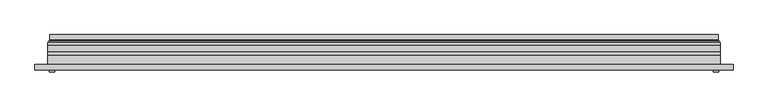
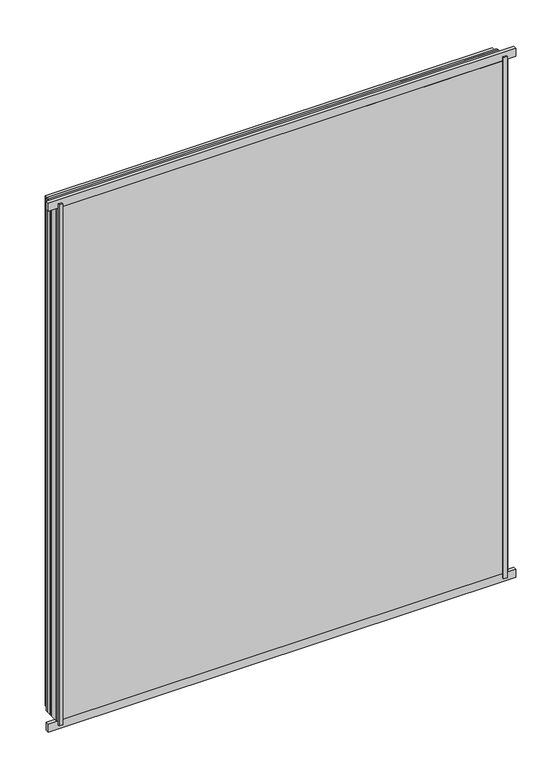
"""IFC4 building model written with IfcOpenShell, lengths in millimetres: plate geometry."""

from ifc_helpers import new_model, si_unit, frame, origin, origin_with_axes, place, context, project, spatial, polyline, ellipse_curve, outline, extrude, source, transform, mapped, element, save
from ifc_brep_helpers import plane_surface, cylinder_surface, revolved_surface, advanced_brep


def plate_80cbc16f(model_context):
    return source(origin(), model_context, "Body", "SolidModel", [
        extrude(outline(polyline([(33.5, -591.5), (33.5, 591.5), (1466.5, 591.5), (1466.5, -591.5), (33.5, -591.5)]), holes=[polyline([(38.5, 586.5), (38.5, -586.5), (1461.5, -586.5), (1461.5, 586.5), (38.5, 586.5)])]), frame((0.0, 0.0, 0.0), z_axis=(0.0, 1.0, 0.0), x_axis=(0.0, 0.0, 1.0)), (0.0, 0.0, 1.0), 12.0),
        extrude(outline(polyline([(11.5, -613.5), (11.5, 613.5), (1488.5, 613.5), (1488.5, -613.5), (11.5, -613.5)]), holes=[polyline([(33.5, 591.5), (33.5, -591.5), (1466.5, -591.5), (1466.5, 591.5), (33.5, 591.5)])]), frame((0.0, -26.0, 0.0), z_axis=(0.0, 1.0, 0.0), x_axis=(0.0, 0.0, 1.0)), (0.0, 0.0, 1.0), 20.0),
        extrude(outline(polyline([(11.5, -613.5), (11.5, 613.5), (1488.5, 613.5), (1488.5, -613.5), (11.5, -613.5)]), holes=[polyline([(33.5, 591.5), (33.5, -591.5), (1466.5, -591.5), (1466.5, 591.5), (33.5, 591.5)])]), frame((0.0, -26.0, 0.0), z_axis=(0.0, 1.0, 0.0), x_axis=(0.0, 0.0, 1.0)), (0.0, 0.0, 1.0), 20.0),
        extrude(outline(polyline([(613.5, -6.0), (-613.5, -6.0), (-613.5, 0.0), (613.5, 0.0), (613.5, -6.0)])), frame((0.0, 0.0, 11.5), z_axis=(0.0, 0.0, 1.0), x_axis=(1.0, 0.0, 0.0)), (0.0, 0.0, 1.0), 1477.0),
        extrude(outline(polyline([(600.0, -32.0), (610.0, -32.0), (610.0, -36.0), (600.0, -36.0), (600.0, -32.0)])), origin_with_axes(), (0.0, 0.0, 1.0), 1500.0),
        extrude(outline(polyline([(-600.0, -32.0), (-600.0, -36.0), (-610.0, -36.0), (-610.0, -32.0), (-600.0, -32.0)])), origin_with_axes(), (0.0, 0.0, 1.0), 1500.0),
        extrude(outline(polyline([(636.5, -32.0), (-636.5, -32.0), (-636.5, -22.51), (636.5, -22.51), (636.5, -32.0)])), frame((0.0, 0.0, -11.5), z_axis=(0.0, 0.0, 1.0), x_axis=(1.0, 0.0, 0.0)), (0.0, 0.0, 1.0), 23.0),
        extrude(outline(polyline([(636.5, -32.0), (-636.5, -32.0), (-636.5, -22.51), (636.5, -22.51), (636.5, -32.0)])), frame((0.0, 0.0, 1488.5), z_axis=(0.0, 0.0, 1.0), x_axis=(1.0, 0.0, 0.0)), (0.0, 0.0, 1.0), 23.0),
        extrude(outline(polyline([(11.5, -613.5), (11.5, 613.5), (1488.5, 613.5), (1488.5, -613.5), (11.5, -613.5)]), holes=[polyline([(33.5, 591.5), (33.5, -591.5), (1466.5, -591.5), (1466.5, 591.5), (33.5, 591.5)])]), frame((0.0, 0.0, 0.0), z_axis=(0.0, 1.0, 0.0), x_axis=(0.0, 0.0, 1.0)), (0.0, 0.0, 1.0), 12.0),
        extrude(outline(polyline([(33.5, -591.5), (33.5, 591.5), (1466.5, 591.5), (1466.5, -591.5), (33.5, -591.5)]), holes=[polyline([(38.5, 586.5), (38.5, -586.5), (1461.5, -586.5), (1461.5, 586.5), (38.5, 586.5)])]), frame((0.0, -26.0, 0.0), z_axis=(0.0, 1.0, 0.0), x_axis=(0.0, 0.0, 1.0)), (0.0, 0.0, 1.0), 20.0),
        extrude(outline(polyline([(613.5, 18.0), (613.5, 12.0), (-613.5, 12.0), (-613.5, 18.0), (613.5, 18.0)])), frame((0.0, 0.0, 11.5), z_axis=(0.0, 0.0, 1.0), x_axis=(1.0, 0.0, 0.0)), (0.0, 0.0, 1.0), 1477.0),
        extrude(outline(polyline([(-613.5, -32.0), (-613.5, -26.0), (613.5, -26.0), (613.5, -32.0), (-613.5, -32.0)])), frame((0.0, 0.0, 11.5), z_axis=(0.0, 0.0, 1.0), x_axis=(1.0, 0.0, 0.0)), (0.0, 0.0, 1.0), 1477.0),
        advanced_brep(
        [(600.0000103, 32.0, 24.9999897), (-600.0000103, 32.0, 24.9999897), (-600.0000103, 21.9110895, 24.9999897), (600.0000103, 21.9110895, 24.9999897), (608.9986527, 23.3044663, 16.0013474), (-608.9986527, 23.3044663, 16.0013474), (-608.9986527, 32.0, 16.0013474), (608.9986527, 32.0, 16.0013474), (610.6689728, 20.9442833, 14.3310273), (-610.6689728, 20.9442833, 14.3310273), (610.2544044, 18.0034569, 14.7455956), (-610.2544044, 18.0034569, 14.7455956), (599.0620949, 20.2163959, 25.9379052), (-599.0620949, 20.2163959, 25.9379052), (-599.6992268, 18.0000006, 25.3007732), (599.6992268, 18.0000006, 25.3007732), (-600.0000103, 32.0, 1475.0000103), (-600.0000103, 21.9110895, 1475.0000103), (-608.9986527, 23.3044663, 1483.9986526), (-608.9986527, 32.0, 1483.9986526), (-610.6689728, 20.9442833, 1485.6689727), (-610.2544044, 18.0034569, 1485.2544044), (-599.0620949, 20.2163959, 1474.0620948), (-599.6992268, 18.0000006, 1474.6992268), (600.0000103, 32.0, 1475.0000103), (600.0000103, 21.9110895, 1475.0000103), (608.9986527, 23.3044663, 1483.9986526), (608.9986527, 32.0, 1483.9986526), (610.6689728, 20.9442833, 1485.6689727), (610.2544044, 18.0034569, 1485.2544044), (599.0620949, 20.2163959, 1474.0620948), (599.6992268, 18.0000006, 1474.6992268)],
        [
            (0, 1),
            (1, 2),
            (2, 3),
            (3, 0),
            (4, 5),
            (5, 6),
            (6, 7),
            (7, 4),
            (8, 9),
            (9, 5, ellipse_curve(frame((-611.3086832, 23.1681522, 13.6913168), z_axis=(-0.7071067811865475, 0.0, 0.7071067811865475), x_axis=(-0.7071067811865476, 0.0, -0.7071067811865474)), 3.2725594, 2.314049)),
            (4, 8, ellipse_curve(frame((611.3086832, 23.1681522, 13.6913168), z_axis=(0.7071067811865475, 0.0, 0.7071067811865475), x_axis=(-0.7071067811865476, 0.0, 0.7071067811865474)), 3.2725594, 2.314049)),
            (10, 11),
            (11, 9, ellipse_curve(frame((-610.2544044, 19.5030909, 14.7455956), z_axis=(0.7071067811865475, 0.0, -0.7071067811865475), x_axis=(0.7071067811865476, 0.0, 0.7071067811865474)), 2.1208028, 1.4996341)),
            (8, 10, ellipse_curve(frame((610.2544044, 19.5030909, 14.7455956), z_axis=(-0.7071067811865475, 0.0, -0.7071067811865475), x_axis=(0.7071067811865476, 0.0, -0.7071067811865474)), 2.1208028, 1.4996341)),
            (12, 13),
            (13, 14, ellipse_curve(frame((-599.6992268, 19.1997743, 25.3007732), z_axis=(0.7071067811865475, 0.0, -0.7071067811865475), x_axis=(0.7071067811865476, 0.0, 0.7071067811865474)), 1.6967361, 1.1997736)),
            (14, 15),
            (15, 12, ellipse_curve(frame((599.6992268, 19.1997743, 25.3007732), z_axis=(-0.7071067811865475, 0.0, -0.7071067811865475), x_axis=(0.7071067811865476, 0.0, -0.7071067811865474)), 1.6967361, 1.1997736)),
            (2, 13, ellipse_curve(frame((-598.0000051, 21.9110895, 26.9999949), z_axis=(-0.7071067811865475, 0.0, 0.7071067811865475), x_axis=(-0.7071067811865476, 0.0, -0.7071067811865474)), 2.8284345, 2.0000052)),
            (12, 3, ellipse_curve(frame((598.0000051, 21.9110895, 26.9999949), z_axis=(0.7071067811865475, 0.0, 0.7071067811865475), x_axis=(-0.7071067811865476, 0.0, 0.7071067811865474)), 2.8284345, 2.0000052)),
            (1, 16),
            (16, 17),
            (17, 2),
            (5, 18),
            (18, 19),
            (19, 6),
            (9, 20),
            (20, 18, ellipse_curve(frame((-611.3086832, 23.1681522, 1486.3086832), z_axis=(0.7071067811865475, 0.0, 0.7071067811865475), x_axis=(-0.7071067811865474, 0.0, 0.7071067811865476)), 3.2725594, 2.314049)),
            (11, 21),
            (21, 20, ellipse_curve(frame((-610.2544044, 19.5030909, 1485.2544044), z_axis=(-0.7071067811865475, 0.0, -0.7071067811865475), x_axis=(0.7071067811865474, 0.0, -0.7071067811865476)), 2.1208028, 1.4996341)),
            (13, 22),
            (22, 23, ellipse_curve(frame((-599.6992268, 19.1997743, 1474.6992268), z_axis=(-0.7071067811865475, 0.0, -0.7071067811865475), x_axis=(0.7071067811865474, 0.0, -0.7071067811865476)), 1.6967361, 1.1997736)),
            (23, 14),
            (17, 22, ellipse_curve(frame((-598.0000051, 21.9110895, 1473.0000051), z_axis=(0.7071067811865475, 0.0, 0.7071067811865475), x_axis=(-0.7071067811865474, 0.0, 0.7071067811865476)), 2.8284345, 2.0000052)),
            (16, 24),
            (24, 25),
            (25, 17),
            (18, 26),
            (26, 27),
            (27, 19),
            (20, 28),
            (28, 26, ellipse_curve(frame((611.3086832, 23.1681522, 1486.3086832), z_axis=(0.7071067811865475, 0.0, -0.7071067811865475), x_axis=(0.7071067811865476, 0.0, 0.7071067811865474)), 3.2725594, 2.314049)),
            (21, 29),
            (29, 28, ellipse_curve(frame((610.2544044, 19.5030909, 1485.2544044), z_axis=(-0.7071067811865475, 0.0, 0.7071067811865475), x_axis=(-0.7071067811865476, 0.0, -0.7071067811865474)), 2.1208028, 1.4996341)),
            (22, 30),
            (30, 31, ellipse_curve(frame((599.6992268, 19.1997743, 1474.6992268), z_axis=(-0.7071067811865475, 0.0, 0.7071067811865475), x_axis=(-0.7071067811865476, 0.0, -0.7071067811865474)), 1.6967361, 1.1997736)),
            (31, 23),
            (25, 30, ellipse_curve(frame((598.0000051, 21.9110895, 1473.0000051), z_axis=(0.7071067811865475, 0.0, -0.7071067811865475), x_axis=(0.7071067811865476, 0.0, 0.7071067811865474)), 2.8284345, 2.0000052)),
            (24, 0),
            (3, 25),
            (26, 4),
            (7, 27),
            (28, 8),
            (29, 10),
            (31, 15),
            (30, 12),
        ],
        [
            plane_surface(frame((600.0000103, 21.9110895, 24.9999897), z_axis=(0.0, 0.0, 1.0), x_axis=(-1.0, 0.0, 0.0))),
            plane_surface(frame((608.9986527, 32.0, 16.0013474), z_axis=(0.0, 0.0, -1.0), x_axis=(-1.0, 0.0, 0.0))),
            revolved_surface(polyline([(-613.6227321435756, 25.482201200000002, 13.6913168), (613.6227321435758, 25.482201200000002, 13.6913168)]), (600.0, 23.1681522, 13.6913168), (-1.0, 0.0, 0.0)),
            cylinder_surface(frame((600.0, 19.5030909, 14.7455956), z_axis=(1.0, 0.0, 0.0), x_axis=(0.0, 1.0, 0.0)), 1.4996341),
            cylinder_surface(frame((600.0, 19.1997743, 25.3007732), z_axis=(1.0, 0.0, 0.0), x_axis=(0.0, 1.0, 0.0)), 1.1997736),
            revolved_surface(polyline([(-600.0000103150919, 23.9110947, 26.9999949), (600.0000103150919, 23.9110947, 26.9999949)]), (600.0, 21.9110895, 26.9999949), (-1.0, 0.0, 0.0)),
            plane_surface(frame((-600.0000103, 21.9110895, 24.9999897), z_axis=(1.0, 0.0, 0.0), x_axis=(0.0, 0.0, 1.0))),
            plane_surface(frame((-608.9986527, 32.0, 16.0013474), z_axis=(-1.0, 0.0, 0.0), x_axis=(0.0, 0.0, 1.0))),
            revolved_surface(polyline([(-611.3086832, 25.482201200000002, 1488.6227321435756), (-611.3086832, 25.482201200000002, 11.37726785642422)]), (-611.3086832, 23.1681522, 25.0), (0.0, 0.0, 1.0)),
            cylinder_surface(frame((-610.2544044, 19.5030909, 25.0), z_axis=(0.0, 0.0, -1.0), x_axis=(0.0, 1.0, 0.0)), 1.4996341),
            cylinder_surface(frame((-599.6992268, 19.1997743, 25.0), z_axis=(0.0, 0.0, -1.0), x_axis=(0.0, 1.0, 0.0)), 1.1997736),
            revolved_surface(polyline([(-598.0000051, 23.9110947, 1475.000010315092), (-598.0000051, 23.9110947, 24.99998968490802)]), (-598.0000051, 21.9110895, 25.0), (0.0, 0.0, 1.0)),
            plane_surface(frame((-600.0000103, 21.9110895, 1475.0000103), z_axis=(0.0, 0.0, -1.0), x_axis=(1.0, 0.0, 0.0))),
            plane_surface(frame((-608.9986527, 32.0, 1483.9986526), z_axis=(0.0, 0.0, 1.0), x_axis=(1.0, 0.0, 0.0))),
            revolved_surface(polyline([(613.6227321435756, 25.482201200000002, 1486.3086832), (-613.6227321435758, 25.482201200000002, 1486.3086832)]), (-600.0, 23.1681522, 1486.3086832), (1.0, 0.0, 0.0)),
            cylinder_surface(frame((-600.0, 19.5030909, 1485.2544044), z_axis=(-1.0, 0.0, 0.0), x_axis=(0.0, 1.0, 0.0)), 1.4996341),
            cylinder_surface(frame((-600.0, 19.1997743, 1474.6992268), z_axis=(-1.0, 0.0, 0.0), x_axis=(0.0, 1.0, 0.0)), 1.1997736),
            revolved_surface(polyline([(600.0000103150919, 23.9110947, 1473.0000051), (-600.0000103150919, 23.9110947, 1473.0000051)]), (-600.0, 21.9110895, 1473.0000051), (1.0, 0.0, 0.0)),
            plane_surface(frame((600.0000103, 21.9110895, 1475.0000103), z_axis=(-1.0, 0.0, 0.0), x_axis=(0.0, 0.0, -1.0))),
            plane_surface(frame((608.9986527, 32.0, 1483.9986526), z_axis=(1.0, 0.0, 0.0), x_axis=(0.0, 0.0, -1.0))),
            revolved_surface(polyline([(611.3086832, 25.482201200000002, 11.377267856424396), (611.3086832, 25.482201200000002, 1488.6227321435756)]), (611.3086832, 23.1681522, 1475.0), (0.0, 0.0, -1.0)),
            cylinder_surface(frame((610.2544044, 19.5030909, 1475.0), z_axis=(0.0, 0.0, 1.0), x_axis=(0.0, 1.0, 0.0)), 1.4996341),
            plane_surface(frame((610.2544044, 18.0000006, 1485.2544044), z_axis=(0.0, -1.0, 0.0), x_axis=(0.0, 0.0, -1.0))),
            cylinder_surface(frame((599.6992268, 19.1997743, 1475.0), z_axis=(0.0, 0.0, 1.0), x_axis=(0.0, 1.0, 0.0)), 1.1997736),
            revolved_surface(polyline([(598.0000051, 23.9110947, 24.999989684908087), (598.0000051, 23.9110947, 1475.000010315092)]), (598.0000051, 21.9110895, 1475.0), (0.0, 0.0, -1.0)),
            plane_surface(frame((600.0000103, 32.0, 1475.0000103), z_axis=(0.0, 1.0, 0.0), x_axis=(0.0, 0.0, -1.0))),
        ],
        [
            (0, [[1, 2, 3, 4]]),
            (1, [[5, 6, 7, 8]]),
            (2, [[9, 10, -5, 11]]),
            (3, [[12, 13, -9, 14]]),
            (4, [[15, 16, 17, 18]]),
            (5, [[-3, 19, -15, 20]]),
            (6, [[21, 22, 23, -2]]),
            (7, [[24, 25, 26, -6]]),
            (8, [[27, 28, -24, -10]]),
            (9, [[29, 30, -27, -13]]),
            (10, [[31, 32, 33, -16]]),
            (11, [[-23, 34, -31, -19]]),
            (12, [[35, 36, 37, -22]]),
            (13, [[38, 39, 40, -25]]),
            (14, [[41, 42, -38, -28]]),
            (15, [[43, 44, -41, -30]]),
            (16, [[45, 46, 47, -32]]),
            (17, [[-37, 48, -45, -34]]),
            (18, [[49, -4, 50, -36]]),
            (19, [[51, -8, 52, -39]]),
            (20, [[53, -11, -51, -42]]),
            (21, [[54, -14, -53, -44]]),
            (22, [[-12, -54, -43, -29], [-17, -33, -47, 55]]),
            (23, [[56, -18, -55, -46]]),
            (24, [[-50, -20, -56, -48]]),
            (25, [[-7, -26, -40, -52], [-1, -49, -35, -21]]),
        ],
    ),
    ])


if __name__ == "__main__":
    model = new_model("IFC4")
    model_context = context("Model", 3, world=origin())
    ifc_project = project(units=[si_unit("LENGTHUNIT", "METRE", prefix="MILLI")], contexts=[model_context])
    site = spatial("IfcSite", under=ifc_project)
    building = spatial("IfcBuilding", under=site)
    placement = place(None, origin())
    plate_shape = plate_80cbc16f(model_context)
    element("IfcPlate", 1, at=placement, inside=building, context=model_context, shape_type="MappedRepresentation", body=[
        mapped(plate_shape, transform((0.0, 0.0, 0.0), x_axis=(1.0, 0.0, 0.0), y_axis=(0.0, 1.0, 0.0), z_axis=(0.0, 0.0, 1.0))),
    ])
    save(model, "model.ifc")
